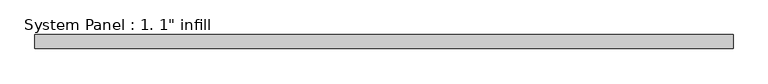
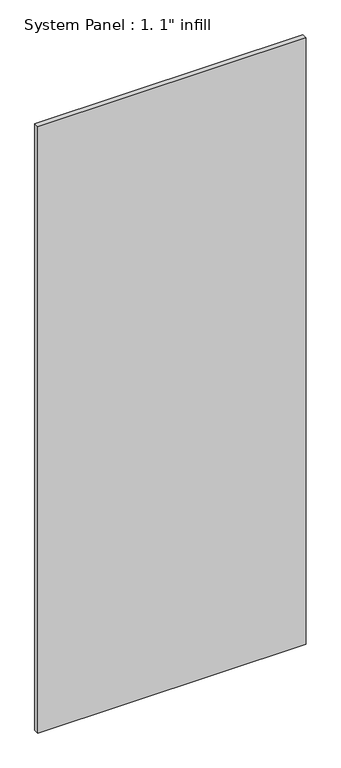
"""IFC4 building model written with IfcOpenShell, lengths in millimetres: plate geometry."""

from ifc_helpers import new_model, si_unit, origin, origin_with_axes, place, context, project, spatial, polyline, outline, extrude, source, transform, mapped, element, save


def plate_149b3052(model_context):
    return source(origin(), model_context, "Body", "SweptSolid", [
        extrude(outline(polyline([(637.778125, -12.7), (-637.778125, -12.7), (-637.778125, 12.7), (637.778125, 12.7), (637.778125, -12.7)])), origin_with_axes(), (0.0, 0.0, 1.0), 3048.0),
    ])


if __name__ == "__main__":
    model = new_model("IFC4")
    model_context = context("Model", 3, world=origin())
    ifc_project = project(units=[si_unit("LENGTHUNIT", "METRE", prefix="MILLI")], contexts=[model_context])
    site = spatial("IfcSite", under=ifc_project)
    building = spatial("IfcBuilding", under=site)
    placement = place(None, origin())
    plate_shape = plate_149b3052(model_context)
    element("IfcPlate", 1, ObjectType="System Panel : 1. 1\" infill", at=placement, inside=building, context=model_context, shape_type="MappedRepresentation", body=[
        mapped(plate_shape, transform((0.0, 0.0, 0.0), x_axis=(1.0, 0.0, 0.0), y_axis=(0.0, 1.0, 0.0), z_axis=(0.0, 0.0, 1.0))),
    ])
    save(model, "model.ifc")
